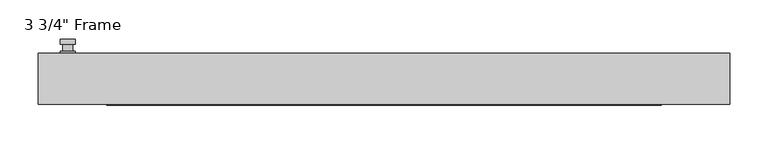
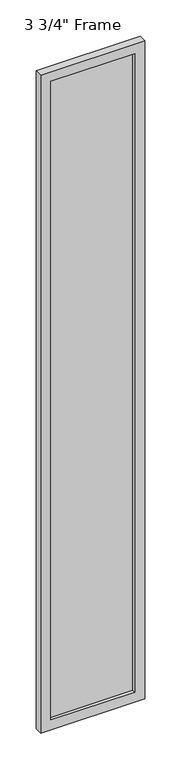
"""IFC4 building model written with IfcOpenShell, lengths in millimetres: plate geometry."""

from ifc_helpers import new_model, si_unit, frame, origin, place, context, project, spatial, polyline, circle_curve, outline, extrude, faceted_brep, source, transform, mapped, element, save
from ifc_brep_helpers import plane_surface, cylinder_surface, advanced_brep


def plate_309d4b2a(model_context):
    return source(origin(), model_context, "Body", "SolidModel", [
        advanced_brep(
        [(-401.6375, 33.3375, 927.1), (-420.6875, 33.3375, 927.1), (-420.6875, 33.3375, 901.7), (-401.6375, 33.3375, 901.7), (-404.8125, 46.0375, 914.4), (-404.8125, 36.5125, 914.4), (-417.5125, 36.5125, 914.4), (-417.5125, 46.0375, 914.4), (-401.6375, 46.0375, 914.4), (-420.6875, 46.0375, 914.4), (-417.5084644, 46.0375, 825.2736467), (-404.8165356, 46.0375, 825.2736467), (-401.6375, 52.3875, 914.4), (-404.8165356, 52.3875, 825.2736467), (-417.5084644, 52.3875, 825.2736467), (-420.6875, 52.3875, 914.4), (-401.6375, 36.5125, 927.1), (-401.6375, 36.5125, 901.7), (-420.6875, 36.5125, 901.7), (-420.6875, 36.5125, 927.1)],
        [
            (0, 1, circle_curve(frame((-411.1625, 33.3375, 927.1), z_axis=(0.0, -1.0, 0.0), x_axis=(-1.0, 0.0, 0.0)), 9.525)),
            (1, 2),
            (2, 3, circle_curve(frame((-411.1625, 33.3375, 901.7), z_axis=(0.0, -1.0, 0.0), x_axis=(-1.0, 0.0, 0.0)), 9.525)),
            (3, 0),
            (4, 5),
            (5, 6, circle_curve(frame((-411.1625, 36.5125, 914.4), z_axis=(0.0, 1.0, 0.0), x_axis=(-1.0, 0.0, 0.0)), 6.35)),
            (6, 7),
            (7, 4, circle_curve(frame((-411.1625, 46.0375, 914.4), z_axis=(0.0, -1.0, 0.0), x_axis=(-1.0, 0.0, 0.0)), 6.35)),
            (6, 5, circle_curve(frame((-411.1625, 36.5125, 914.4), z_axis=(0.0, 1.0, 0.0), x_axis=(-1.0, 0.0, 0.0)), 6.35)),
            (4, 7, circle_curve(frame((-411.1625, 46.0375, 914.4), z_axis=(0.0, -1.0, 0.0), x_axis=(-1.0, 0.0, 0.0)), 6.35)),
            (8, 9, circle_curve(frame((-411.1625, 46.0375, 914.4), z_axis=(0.0, -1.0, 0.0), x_axis=(-1.0, 0.0, 0.0)), 9.525)),
            (9, 10),
            (10, 11, circle_curve(frame((-411.1625, 46.0375, 825.5), z_axis=(0.0, -1.0, 0.0), x_axis=(-1.0, 0.0, 0.0)), 6.35)),
            (11, 8),
            (12, 13),
            (13, 14, circle_curve(frame((-411.1625, 52.3875, 825.5), z_axis=(0.0, 1.0, 0.0), x_axis=(-1.0, 0.0, 0.0)), 6.35)),
            (14, 15),
            (15, 12, circle_curve(frame((-411.1625, 52.3875, 914.4), z_axis=(0.0, 1.0, 0.0), x_axis=(-1.0, 0.0, 0.0)), 9.525)),
            (11, 13),
            (12, 8),
            (10, 14),
            (9, 15),
            (16, 17),
            (17, 18, circle_curve(frame((-411.1625, 36.5125, 901.7), z_axis=(0.0, 1.0, 0.0), x_axis=(-1.0, 0.0, 0.0)), 9.525)),
            (18, 19),
            (19, 16, circle_curve(frame((-411.1625, 36.5125, 927.1), z_axis=(0.0, 1.0, 0.0), x_axis=(-1.0, 0.0, 0.0)), 9.525)),
            (3, 17),
            (16, 0),
            (2, 18),
            (1, 19),
        ],
        [
            plane_surface(frame((-417.5125, 33.3375, 914.4), z_axis=(0.0, -1.0, 0.0), x_axis=(0.0, 0.0, 1.0))),
            cylinder_surface(frame((-411.1625, 46.0375, 914.4), z_axis=(0.0, -1.0, 0.0), x_axis=(-1.0, 0.0, 0.0)), 6.35),
            plane_surface(frame((-401.6375, 46.0375, 914.4), z_axis=(0.0, -1.0000000000000002, 0.0), x_axis=(-0.03564619348186888, 0.0, -0.9993644724975235))),
            plane_surface(frame((-401.6375, 52.3875, 914.4), z_axis=(0.0, 1.0000000000000002, 0.0), x_axis=(0.03564619348186888, 0.0, 0.9993644724975235))),
            plane_surface(frame((-401.6375, 46.0375, 914.4), z_axis=(0.9993644724975235, 0.0, -0.03564619348186888), x_axis=(0.0, 1.0, 0.0))),
            cylinder_surface(frame((-411.1625, 52.3875, 825.5), z_axis=(0.0, -1.0, 0.0), x_axis=(-1.0, 0.0, 0.0)), 6.35),
            plane_surface(frame((-417.5084644, 46.0375, 825.2736467), z_axis=(-0.9993644724975228, 0.0, -0.03564619348188612), x_axis=(0.0, 1.0, 0.0))),
            cylinder_surface(frame((-411.1625, 52.3875, 914.4), z_axis=(0.0, -1.0, 0.0), x_axis=(-1.0, 0.0, 0.0)), 9.525),
            plane_surface(frame((-401.6375, 36.5125, 901.7), z_axis=(0.0, 1.0, 0.0), x_axis=(0.0, 0.0, 1.0))),
            plane_surface(frame((-401.6375, 33.3375, 927.1), z_axis=(1.0, 0.0, 0.0), x_axis=(0.0, 1.0, 0.0))),
            cylinder_surface(frame((-411.1625, 36.5125, 901.7), z_axis=(0.0, -1.0, 0.0), x_axis=(-1.0, 0.0, 0.0)), 9.525),
            plane_surface(frame((-420.6875, 33.3375, 901.7), z_axis=(-1.0, 0.0, 0.0), x_axis=(0.0, 1.0, 0.0))),
            cylinder_surface(frame((-411.1625, 36.5125, 927.1), z_axis=(0.0, -1.0, 0.0), x_axis=(-1.0, 0.0, 0.0)), 9.525),
        ],
        [
            (0, [[1, 2, 3, 4]]),
            (1, [[5, 6, 7, 8]]),
            (1, [[-7, 9, -5, 10]]),
            (2, [[11, 12, 13, 14], [-10, -8]]),
            (3, [[15, 16, 17, 18]]),
            (4, [[19, -15, 20, -14]]),
            (5, [[21, -16, -19, -13]]),
            (6, [[22, -17, -21, -12]]),
            (7, [[-20, -18, -22, -11]]),
            (8, [[23, 24, 25, 26], [-9, -6]]),
            (9, [[27, -23, 28, -4]]),
            (10, [[29, -24, -27, -3]]),
            (11, [[30, -25, -29, -2]]),
            (12, [[-28, -26, -30, -1]]),
        ],
    ),
        faceted_brep([(-449.2625, 33.3375, 0.0), (449.2625, 33.3375, 0.0), (449.2625, -33.3375, 0.0), (-449.2625, -33.3375, 0.0), (-449.2625, 33.3375, 5997.575), (449.2625, 33.3375, 5997.575), (-360.3625, 33.3375, 5908.675), (-360.3625, 33.3375, 88.9), (360.3625, 33.3375, 88.9), (360.3625, 33.3375, 5908.675), (-449.2625, -33.3375, 5997.575), (449.2625, -33.3375, 5997.575), (-360.3625, -33.3375, 5908.675), (360.3625, -33.3375, 5908.675), (360.3625, -33.3375, 88.9), (-360.3625, -33.3375, 88.9), (-354.0125, -11.90625, 95.25), (-354.0125, -11.90625, 5902.325), (366.7125, -11.90625, 5915.025), (366.7125, -11.90625, 82.55), (-366.7125, -11.90625, 82.55), (-366.7125, -11.90625, 5915.025), (354.0125, -11.90625, 95.25), (354.0125, -11.90625, 5902.325), (-366.7125, 11.90625, 82.55), (-366.7125, 11.90625, 5915.025), (366.7125, 11.90625, 82.55), (366.7125, 11.90625, 5915.025), (-354.0125, 11.90625, 5902.325), (354.0125, 11.90625, 5902.325), (354.0125, 11.90625, 95.25), (-354.0125, 11.90625, 95.25)], [[[0, 1, 2, 3]], [[0, 4, 5, 1], [6, 7, 8, 9]], [[3, 10, 4, 0]], [[2, 11, 10, 3], [12, 13, 14, 15]], [[12, 15, 16, 17]], [[18, 19, 20, 21], [17, 16, 22, 23]], [[20, 24, 25, 21]], [[25, 24, 26, 27], [28, 29, 30, 31]], [[28, 31, 7, 6]], [[4, 10, 11, 5]], [[12, 17, 23, 13]], [[21, 25, 27, 18]], [[9, 29, 28, 6]], [[5, 11, 2, 1]], [[23, 22, 14, 13]], [[26, 19, 18, 27]], [[9, 8, 30, 29]], [[7, 31, 30, 8]], [[19, 26, 24, 20]], [[16, 15, 14, 22]]]),
        extrude(outline(polyline([(366.7125, 11.90625), (366.7125, -11.90625), (-366.7125, -11.90625), (-366.7125, 11.90625), (366.7125, 11.90625)])), frame((0.0, 0.0, 82.55), z_axis=(0.0, 0.0, 1.0), x_axis=(1.0, 0.0, 0.0)), (0.0, 0.0, 1.0), 5832.475),
    ])


if __name__ == "__main__":
    model = new_model("IFC4")
    model_context = context("Model", 3, world=origin())
    ifc_project = project(units=[si_unit("LENGTHUNIT", "METRE", prefix="MILLI")], contexts=[model_context])
    site = spatial("IfcSite", under=ifc_project)
    building = spatial("IfcBuilding", under=site)
    placement = place(None, origin())
    plate_shape = plate_309d4b2a(model_context)
    element("IfcPlate", 1, ObjectType="3 3/4\" Frame", at=placement, inside=building, context=model_context, shape_type="MappedRepresentation", body=[
        mapped(plate_shape, transform((0.0, 0.0, 0.0), x_axis=(1.0, 0.0, 0.0), y_axis=(0.0, 1.0, 0.0), z_axis=(0.0, 0.0, 1.0))),
    ])
    save(model, "model.ifc")
